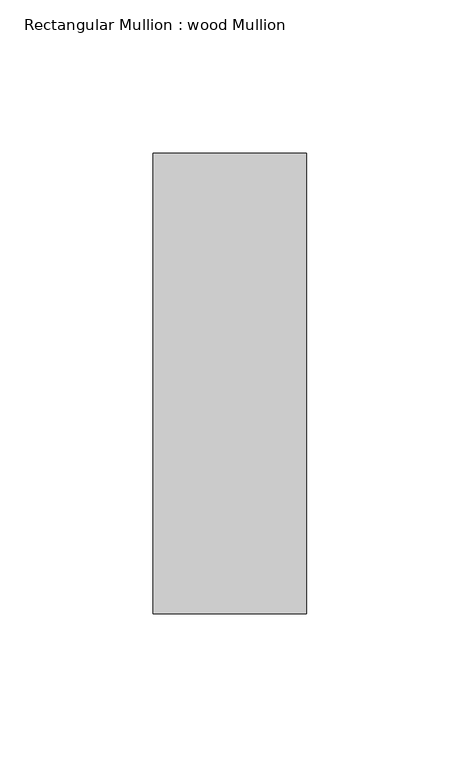
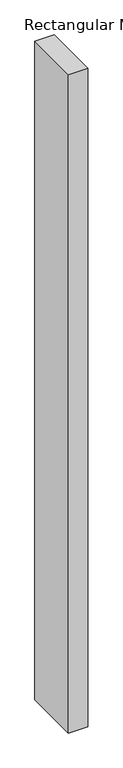
"""IFC4 building model written with IfcOpenShell, lengths in millimetres: member geometry, Rectangular Mullion : wood Mullion."""

from ifc_helpers import new_model, si_unit, frame, origin, place, context, project, spatial, polyline, outline, extrude, source, transform, mapped, element, save


def rectangular_mullion_wood_mullion_dc2b1c3d(model_context):
    return source(origin(), model_context, "Body", "SweptSolid", [
        extrude(outline(polyline([(0.0, 75.0), (0.0, -75.0), (-50.0, -75.0), (-50.0, 75.0), (0.0, 75.0)])), frame((0.0, 0.0, -1800.0), z_axis=(0.0, 0.0, 1.0), x_axis=(1.0, 0.0, 0.0)), (0.0, 0.0, 1.0), 1800.0),
    ])


if __name__ == "__main__":
    model = new_model("IFC4")
    model_context = context("Model", 3, world=origin())
    ifc_project = project(units=[si_unit("LENGTHUNIT", "METRE", prefix="MILLI")], contexts=[model_context])
    site = spatial("IfcSite", under=ifc_project)
    building = spatial("IfcBuilding", under=site)
    placement = place(None, origin())
    rectangular_mullion_wood_mullion_shape = rectangular_mullion_wood_mullion_dc2b1c3d(model_context)
    element("IfcMember", 1, ObjectType="Rectangular Mullion : wood Mullion", at=placement, inside=building, context=model_context, shape_type="MappedRepresentation", body=[
        mapped(rectangular_mullion_wood_mullion_shape, transform((0.0, 0.0, 0.0), x_axis=(1.0, 0.0, 0.0), y_axis=(0.0, 1.0, 0.0), z_axis=(0.0, 0.0, 1.0))),
    ])
    save(model, "model.ifc")
